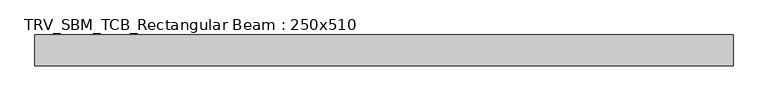
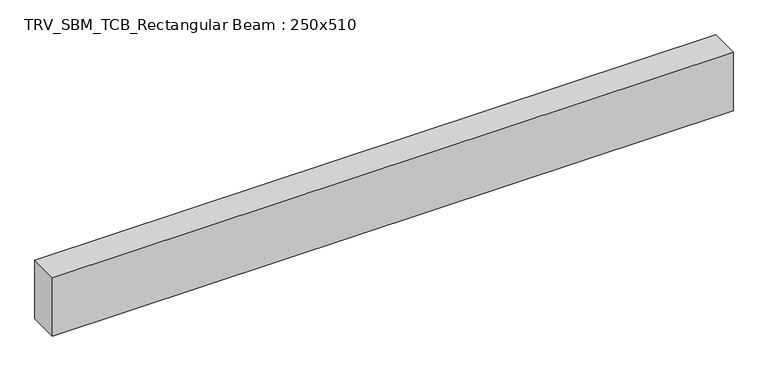
"""IFC4 building model written with IfcOpenShell, lengths in millimetres: beam geometry, TRV_SBM_TCB_Rectangular Beam : 250x510."""

from ifc_helpers import new_model, si_unit, frame, origin, place, context, project, spatial, polyline, outline, extrude, source, transform, mapped, element, save


def trv_sbm_tcb_rectangular_beam_250x510_89bb16b2(model_context):
    return source(origin(), model_context, "Body", "SweptSolid", [
        extrude(outline(polyline([(2812.2, 125.0), (2812.2, -125.0), (-2812.2, -125.0), (-2812.2, 125.0), (2812.2, 125.0)])), frame((0.0, 0.0, -255.0), z_axis=(0.0, 0.0, 1.0), x_axis=(1.0, 0.0, 0.0)), (0.0, 0.0, 1.0), 510.0),
    ])


if __name__ == "__main__":
    model = new_model("IFC4")
    model_context = context("Model", 3, world=origin())
    ifc_project = project(units=[si_unit("LENGTHUNIT", "METRE", prefix="MILLI")], contexts=[model_context])
    site = spatial("IfcSite", under=ifc_project)
    building = spatial("IfcBuilding", under=site)
    placement = place(None, origin())
    trv_sbm_tcb_rectangular_beam_250x510_shape = trv_sbm_tcb_rectangular_beam_250x510_89bb16b2(model_context)
    element("IfcBeam", 1, ObjectType="TRV_SBM_TCB_Rectangular Beam : 250x510", at=placement, inside=building, context=model_context, shape_type="MappedRepresentation", body=[
        mapped(trv_sbm_tcb_rectangular_beam_250x510_shape, transform((0.0, 0.0, 0.0), x_axis=(1.0, 0.0, 0.0), y_axis=(0.0, 1.0, 0.0), z_axis=(0.0, 0.0, 1.0))),
    ])
    save(model, "model.ifc")
